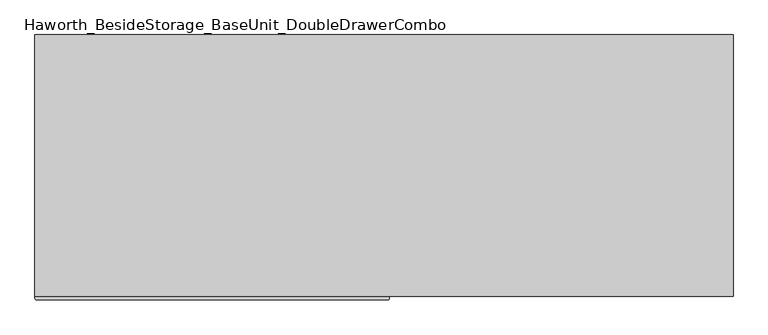
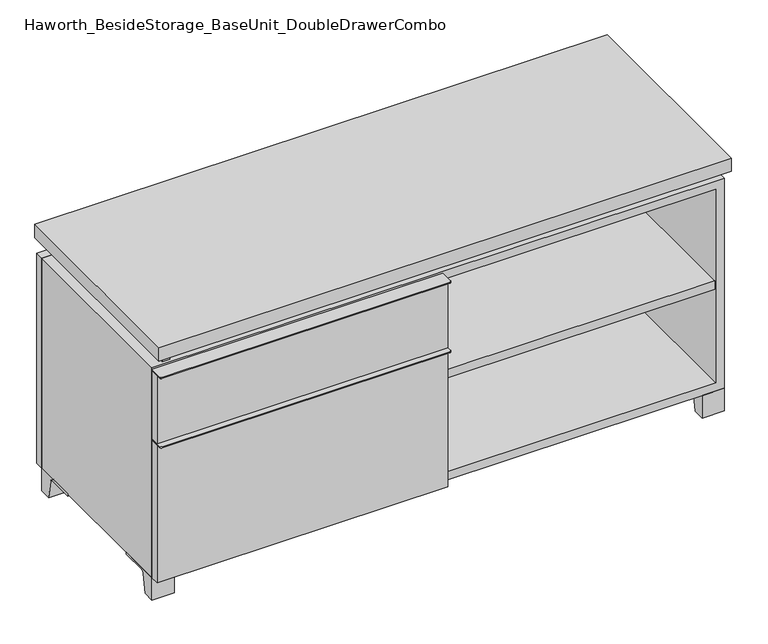
"""IFC4 building model written with IfcOpenShell, lengths in millimetres: furniture geometry, Haworth_BesideStorage_BaseUnit_DoubleDrawerCombo."""

from ifc_helpers import new_model, si_unit, point, frame, frame_2d, origin, place, context, project, spatial, polyline, circle_curve, trimmed, segment, composite_curve, outline, extrude, source, transform, mapped, element, save


def haworth_besidestorage_baseunit_doubledrawercombo_b878e933(model_context):
    return source(origin(), model_context, "Body", "SweptSolid", [
        extrude(outline(polyline([(-9.5111094, 234.95), (-9.5111094, -136.525), (-590.5361094, -136.525), (-590.5361094, 234.95), (-9.5111094, 234.95)])), frame((0.0, 0.0, 354.0125), z_axis=(0.0, 0.0, 1.0), x_axis=(1.0, 0.0, 0.0)), (0.0, 0.0, 1.0), 19.05),
        extrude(outline(composite_curve([segment(polyline([(9.5388906, -139.7), (9.5388906, -168.275)]), True, "CONTINUOUS"), segment(trimmed(circle_curve(frame_2d((6.3638906, -168.275)), 3.175), [point((9.5388906, -168.275))], [point((6.3638906, -171.45))], False, "CARTESIAN"), True, "CONTINUOUS"), segment(polyline([(6.3638906, -171.45), (-606.4111094, -171.45)]), True, "CONTINUOUS"), segment(trimmed(circle_curve(frame_2d((-606.4111094, -168.275)), 3.175), [point((-606.4111094, -171.45))], [point((-609.5861094, -168.275))], False, "CARTESIAN"), True, "CONTINUOUS"), segment(polyline([(-609.5861094, -168.275), (-609.5861094, -139.7), (9.5388906, -139.7)]), True, "CONTINUOUS")], self_intersect=False)), frame((0.0, 0.0, 517.525), z_axis=(0.0, 0.0, 1.0), x_axis=(1.0, 0.0, 0.0)), (0.0, 0.0, 1.0), 2.38125),
        extrude(outline(polyline([(9.5388906, -139.7), (9.5388906, -158.75), (-609.5861094, -158.75), (-609.5861094, -139.7), (9.5388906, -139.7)])), frame((0.0, 0.0, 363.5375), z_axis=(0.0, 0.0, 1.0), x_axis=(1.0, 0.0, 0.0)), (0.0, 0.0, 1.0), 153.9875),
        extrude(outline(composite_curve([segment(polyline([(9.5388906, -139.7), (9.5388906, -168.275)]), True, "CONTINUOUS"), segment(trimmed(circle_curve(frame_2d((6.3638906, -168.275)), 3.175), [point((9.5388906, -168.275))], [point((6.3638906, -171.45))], False, "CARTESIAN"), True, "CONTINUOUS"), segment(polyline([(6.3638906, -171.45), (-606.4111094, -171.45)]), True, "CONTINUOUS"), segment(trimmed(circle_curve(frame_2d((-606.4111094, -168.275)), 3.175), [point((-606.4111094, -171.45))], [point((-609.5861094, -168.275))], False, "CARTESIAN"), True, "CONTINUOUS"), segment(polyline([(-609.5861094, -168.275), (-609.5861094, -139.7), (9.5388906, -139.7)]), True, "CONTINUOUS")], self_intersect=False)), frame((0.0, 0.0, 361.15625), z_axis=(0.0, 0.0, 1.0), x_axis=(1.0, 0.0, 0.0)), (0.0, 0.0, 1.0), 2.38125),
        extrude(outline(polyline([(9.5388906, -139.7), (9.5388906, -158.75), (-609.5861094, -158.75), (-609.5861094, -139.7), (9.5388906, -139.7)])), frame((0.0, 0.0, 50.8), z_axis=(0.0, 0.0, 1.0), x_axis=(1.0, 0.0, 0.0)), (0.0, 0.0, 1.0), 310.35625),
        extrude(outline(polyline([(590.5569453, 234.95), (590.5569453, -136.525), (9.5319453, -136.525), (9.5319453, 234.95), (590.5569453, 234.95)])), frame((0.0, 0.0, 277.8125), z_axis=(0.0, 0.0, 1.0), x_axis=(1.0, 0.0, 0.0)), (0.0, 0.0, 1.0), 19.05),
        extrude(outline(polyline([(609.6138906, 292.1), (609.6138906, -165.1), (-609.5861094, -165.1), (-609.5861094, 292.1), (609.6138906, 292.1)])), frame((0.0, 0.0, 554.0375), z_axis=(0.0, 0.0, 1.0), x_axis=(1.0, 0.0, 0.0)), (0.0, 0.0, 1.0), 30.1625),
        extrude(outline(composite_curve([segment(polyline([(-114.3000136, 0.0), (-139.7, 0.0), (-139.7, 50.8), (-44.45, 50.8), (-44.45, 46.0213321), (-101.2505345, 46.0213321)]), True, "CONTINUOUS"), segment(trimmed(circle_curve(frame_2d((-101.2505345, 39.6713321)), 6.35), [point((-101.2505345, 46.0213321))], [point((-107.5141359, 40.7152656))], True, "CARTESIAN"), True, "CONTINUOUS"), segment(polyline([(-107.5141359, 40.7152656), (-114.3000136, 0.0)]), True, "CONTINUOUS")], self_intersect=False)), frame((561.9888906, 0.0, 0.0), z_axis=(1.0, 0.0, 0.0), x_axis=(0.0, 1.0, 0.0)), (0.0, 0.0, 1.0), 47.625),
        extrude(outline(composite_curve([segment(polyline([(241.3000136, 0.0), (234.5141359, 40.7152656)]), True, "CONTINUOUS"), segment(trimmed(circle_curve(frame_2d((228.2505345, 39.6713321)), 6.35), [point((234.5141359, 40.7152656))], [point((228.2505345, 46.0213321))], True, "CARTESIAN"), True, "CONTINUOUS"), segment(polyline([(228.2505345, 46.0213321), (171.45, 46.0213321), (171.45, 50.8), (266.7, 50.8), (266.7, 0.0), (241.3000136, 0.0)]), True, "CONTINUOUS")], self_intersect=False)), frame((561.9888906, 0.0, 0.0), z_axis=(1.0, 0.0, 0.0), x_axis=(0.0, 1.0, 0.0)), (0.0, 0.0, 1.0), 47.625),
        extrude(outline(composite_curve([segment(polyline([(-114.3000136, 0.0), (-139.7, 0.0), (-139.7, 50.8), (-44.45, 50.8), (-44.45, 46.0213321), (-101.2505345, 46.0213321)]), True, "CONTINUOUS"), segment(trimmed(circle_curve(frame_2d((-101.2505345, 39.6713321)), 6.35), [point((-101.2505345, 46.0213321))], [point((-107.5141359, 40.7152656))], True, "CARTESIAN"), True, "CONTINUOUS"), segment(polyline([(-107.5141359, 40.7152656), (-114.3000136, 0.0)]), True, "CONTINUOUS")], self_intersect=False)), frame((-609.5861094, 0.0, 0.0), z_axis=(1.0, 0.0, 0.0), x_axis=(0.0, 1.0, 0.0)), (0.0, 0.0, 1.0), 47.625),
        extrude(outline(composite_curve([segment(polyline([(241.3000136, 0.0), (234.5141359, 40.7152656)]), True, "CONTINUOUS"), segment(trimmed(circle_curve(frame_2d((228.2505345, 39.6713321)), 6.35), [point((234.5141359, 40.7152656))], [point((228.2505345, 46.0213321))], True, "CARTESIAN"), True, "CONTINUOUS"), segment(polyline([(228.2505345, 46.0213321), (171.45, 46.0213321), (171.45, 50.8), (266.7, 50.8), (266.7, 0.0), (241.3000136, 0.0)]), True, "CONTINUOUS")], self_intersect=False)), frame((-609.5861094, 0.0, 0.0), z_axis=(1.0, 0.0, 0.0), x_axis=(0.0, 1.0, 0.0)), (0.0, 0.0, 1.0), 47.625),
        extrude(outline(polyline([(-584.1791641, -133.35), (-584.1791641, 234.95), (-568.3041641, 234.95), (-568.3041641, 73.025), (-7.9236094, 73.025), (-7.9236094, 247.65), (7.9513906, 247.65), (7.9513906, 73.025), (568.3111094, 73.025), (568.3111094, 247.65), (584.1861094, 247.65), (584.1861094, -120.65), (568.3111094, -120.65), (568.3111094, 53.975), (7.9513906, 53.975), (7.9513906, -120.65), (-7.9236094, -120.65), (-7.9236094, 53.975), (-568.3041641, 53.975), (-568.3041641, -133.35), (-584.1791641, -133.35)])), frame((0.0, 0.0, 523.875), z_axis=(0.0, 0.0, 1.0), x_axis=(1.0, 0.0, 0.0)), (0.0, 0.0, 1.0), 30.1625),
        extrude(outline(polyline([(9.5388906, 234.95), (9.5388906, -139.7), (-9.5111094, -139.7), (-9.5111094, 234.95), (9.5388906, 234.95)])), frame((0.0, 0.0, 69.85), z_axis=(0.0, 0.0, 1.0), x_axis=(1.0, 0.0, 0.0)), (0.0, 0.0, 1.0), 434.975),
        extrude(outline(polyline([(609.6138906, 266.7), (-609.5861094, 266.7), (-609.5861094, 285.75), (609.6138906, 285.75), (609.6138906, 266.7)])), frame((0.0, 0.0, 50.8), z_axis=(0.0, 0.0, 1.0), x_axis=(1.0, 0.0, 0.0)), (0.0, 0.0, 1.0), 473.075),
        extrude(outline(polyline([(50.8, -609.5861094), (50.8, 609.6), (523.875, 609.6), (523.875, -609.5861094), (50.8, -609.5861094)]), holes=[polyline([(69.85, -590.5361094), (504.825, -590.5361094), (504.825, 590.5361094), (69.85, 590.5361094), (69.85, -590.5361094)])]), frame((0.0, -139.7, 0.0), z_axis=(0.0, 1.0, 0.0), x_axis=(0.0, 0.0, 1.0)), (0.0, 0.0, 1.0), 406.4),
        extrude(outline(polyline([(-590.5291641, 234.95), (-590.5291641, 241.3), (590.5569453, 241.3), (590.5569453, 234.95), (-590.5291641, 234.95)])), frame((0.0, 0.0, 69.85), z_axis=(0.0, 0.0, 1.0), x_axis=(1.0, 0.0, 0.0)), (0.0, 0.0, 1.0), 434.975),
    ])


if __name__ == "__main__":
    model = new_model("IFC4")
    model_context = context("Model", 3, world=origin())
    ifc_project = project(units=[si_unit("LENGTHUNIT", "METRE", prefix="MILLI")], contexts=[model_context])
    site = spatial("IfcSite", under=ifc_project)
    building = spatial("IfcBuilding", under=site)
    placement = place(None, origin())
    haworth_besidestorage_baseunit_doubledrawercombo_shape = haworth_besidestorage_baseunit_doubledrawercombo_b878e933(model_context)
    element("IfcFurniture", 1, ObjectType="Haworth_BesideStorage_BaseUnit_DoubleDrawerCombo", at=placement, inside=building, context=model_context, shape_type="MappedRepresentation", body=[
        mapped(haworth_besidestorage_baseunit_doubledrawercombo_shape, transform((0.0, 0.0, 0.0), x_axis=(1.0, 0.0, 0.0), y_axis=(0.0, 1.0, 0.0), z_axis=(0.0, 0.0, 1.0))),
    ])
    save(model, "model.ifc")
